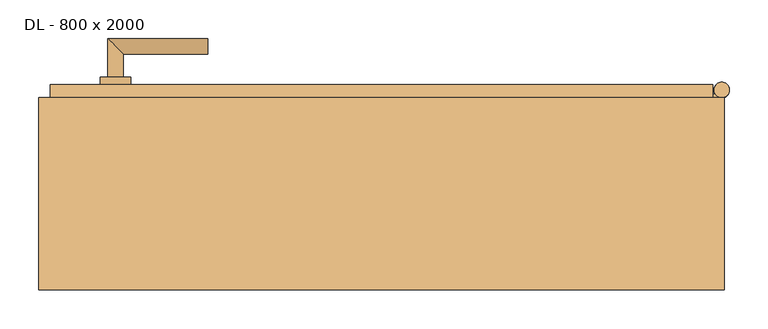
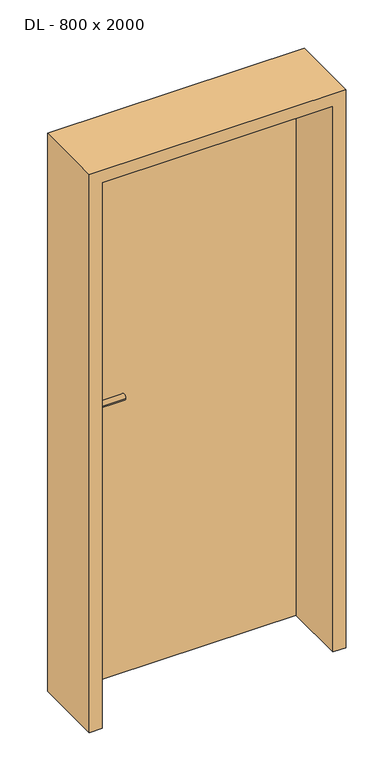
"""IFC4 building model written with IfcOpenShell, lengths in millimetres: door geometry, DL - 800 x 2000."""

from ifc_helpers import new_model, si_unit, point, frame, frame_2d, origin, place, context, project, spatial, polyline, circle_curve, ellipse_curve, trimmed, segment, composite_curve, outline, extrude, faceted_brep, source, transform, mapped, element, save
from ifc_brep_helpers import plane_surface, cylinder_surface, advanced_brep


def dl_800_x_2000_6b8a714d(model_context):
    return source(origin(), model_context, "Body", "SolidModel", [
        faceted_brep([(430.0, 142.0, 0.0), (430.0, 125.0, 0.0), (415.0, 125.0, 0.0), (415.0, 97.0, 0.0), (-415.0, 97.0, 0.0), (-415.0, 125.0, 0.0), (-430.0, 125.0, 0.0), (-430.0, 142.0, 0.0), (430.0, 142.0, 2030.0), (-430.0, 142.0, 2030.0), (-430.0, 125.0, 2030.0), (-415.0, 125.0, 2015.0), (415.0, 125.0, 2015.0), (430.0, 125.0, 2030.0), (-415.0, 97.0, 2015.0), (415.0, 97.0, 2015.0)], [[[0, 1, 2, 3, 4, 5, 6, 7]], [[8, 0, 7, 9]], [[7, 6, 10, 9]], [[11, 12, 2, 1, 13, 10, 6, 5]], [[5, 4, 14, 11]], [[3, 15, 14, 4]], [[12, 15, 3, 2]], [[8, 13, 1, 0]], [[9, 10, 13, 8]], [[11, 14, 15, 12]]]),
        extrude(outline(composite_curve([segment(trimmed(circle_curve(frame_2d((442.0, 135.0)), 10.0), [point((432.0, 135.0))], [point((452.0, 135.0))], False, "CARTESIAN"), True, "CONTINUOUS"), segment(trimmed(circle_curve(frame_2d((442.0, 135.0)), 10.0), [point((452.0, 135.0))], [point((432.0, 135.0))], False, "CARTESIAN"), True, "CONTINUOUS")], self_intersect=False)), frame((0.0, 0.0, 1799.0), z_axis=(0.0, 0.0, 1.0), x_axis=(1.0, 0.0, 0.0)), (0.0, 0.0, 1.0), 25.0),
        extrude(outline(composite_curve([segment(polyline([(442.0, 125.0), (430.0, 125.0), (430.0, 130.0), (433.339746, 130.0)]), True, "CONTINUOUS"), segment(trimmed(circle_curve(frame_2d((442.0, 135.0)), 10.0), [point((433.339746, 130.0))], [point((442.0, 125.0))], False, "CARTESIAN"), True, "CONTINUOUS")], self_intersect=False)), frame((0.0, 0.0, 1749.0), z_axis=(0.0, 0.0, 1.0), x_axis=(1.0, 0.0, 0.0)), (0.0, 0.0, 1.0), 50.0),
        extrude(outline(composite_curve([segment(trimmed(circle_curve(frame_2d((442.0, 135.0)), 10.0), [point((432.0, 135.0))], [point((452.0, 135.0))], False, "CARTESIAN"), True, "CONTINUOUS"), segment(trimmed(circle_curve(frame_2d((442.0, 135.0)), 10.0), [point((452.0, 135.0))], [point((432.0, 135.0))], False, "CARTESIAN"), True, "CONTINUOUS")], self_intersect=False)), frame((0.0, 0.0, 1724.0), z_axis=(0.0, 0.0, 1.0), x_axis=(1.0, 0.0, 0.0)), (0.0, 0.0, 1.0), 25.0),
        extrude(outline(composite_curve([segment(trimmed(circle_curve(frame_2d((442.0, 135.0)), 10.0), [point((432.0, 135.0))], [point((452.0, 135.0))], False, "CARTESIAN"), True, "CONTINUOUS"), segment(trimmed(circle_curve(frame_2d((442.0, 135.0)), 10.0), [point((452.0, 135.0))], [point((432.0, 135.0))], False, "CARTESIAN"), True, "CONTINUOUS")], self_intersect=False)), frame((0.0, 0.0, 266.0), z_axis=(0.0, 0.0, 1.0), x_axis=(1.0, 0.0, 0.0)), (0.0, 0.0, 1.0), 25.0),
        extrude(outline(composite_curve([segment(polyline([(442.0, 125.0), (430.0, 125.0), (430.0, 130.0), (433.339746, 130.0)]), True, "CONTINUOUS"), segment(trimmed(circle_curve(frame_2d((442.0, 135.0)), 10.0), [point((433.339746, 130.0))], [point((442.0, 125.0))], False, "CARTESIAN"), True, "CONTINUOUS")], self_intersect=False)), frame((0.0, 0.0, 216.0), z_axis=(0.0, 0.0, 1.0), x_axis=(1.0, 0.0, 0.0)), (0.0, 0.0, 1.0), 50.0),
        extrude(outline(composite_curve([segment(trimmed(circle_curve(frame_2d((442.0, 135.0)), 10.0), [point((432.0, 135.0))], [point((452.0, 135.0))], False, "CARTESIAN"), True, "CONTINUOUS"), segment(trimmed(circle_curve(frame_2d((442.0, 135.0)), 10.0), [point((452.0, 135.0))], [point((432.0, 135.0))], False, "CARTESIAN"), True, "CONTINUOUS")], self_intersect=False)), frame((0.0, 0.0, 191.0), z_axis=(0.0, 0.0, 1.0), x_axis=(1.0, 0.0, 0.0)), (0.0, 0.0, 1.0), 25.0),
        advanced_brep(
        [(-335.0, 152.0, 1050.0), (-355.0, 152.0, 1050.0), (-335.0, 182.0, 1050.0), (-355.0, 202.0, 1050.0), (-225.0, 182.0, 1050.0), (-225.0, 202.0, 1050.0)],
        [
            (0, 1, circle_curve(frame((-345.0, 152.0, 1050.0), z_axis=(0.0, -1.0, 0.0), x_axis=(-1.0, 0.0, 0.0)), 10.0)),
            (1, 0, circle_curve(frame((-345.0, 152.0, 1050.0), z_axis=(0.0, -1.0, 0.0), x_axis=(-1.0, 0.0, 0.0)), 10.0)),
            (0, 2),
            (2, 3, ellipse_curve(frame((-345.0, 192.0, 1050.0), z_axis=(-0.7071067811865531, -0.7071067811865419, 0.0), x_axis=(0.707106781186542, -0.707106781186553, 0.0)), 14.1421356, 10.0)),
            (3, 1),
            (3, 2, ellipse_curve(frame((-345.0, 192.0, 1050.0), z_axis=(-0.7071067811865531, -0.7071067811865419, 0.0), x_axis=(0.707106781186542, -0.707106781186553, 0.0)), 14.1421356, 10.0)),
            (4, 5, circle_curve(frame((-225.0, 192.0, 1050.0), z_axis=(1.0, 0.0, 0.0), x_axis=(0.0, 1.0, 0.0)), 10.0)),
            (5, 4, circle_curve(frame((-225.0, 192.0, 1050.0), z_axis=(1.0, 0.0, 0.0), x_axis=(0.0, 1.0, 0.0)), 10.0)),
            (2, 4),
            (5, 3),
        ],
        [
            plane_surface(frame((-345.0, 152.0, 1050.0), z_axis=(0.0, -1.0, 0.0), x_axis=(0.0, 0.0, 1.0))),
            cylinder_surface(frame((-345.0, 152.0, 1050.0), z_axis=(0.0, -1.0, 0.0), x_axis=(-1.0, 0.0, 0.0)), 10.0),
            plane_surface(frame((-225.0, 192.0, 1050.0), z_axis=(1.0, 0.0, 0.0), x_axis=(0.0, 0.0, 1.0))),
            cylinder_surface(frame((-345.0, 192.0, 1050.0), z_axis=(-1.0, 0.0, 0.0), x_axis=(0.0, 1.0, 0.0)), 10.0),
        ],
        [
            (0, [[1, 2]]),
            (1, [[-1, 3, 4, 5]]),
            (1, [[-2, -5, 6, -3]]),
            (2, [[7, 8]]),
            (3, [[-4, 9, -8, 10]]),
            (3, [[-6, -10, -7, -9]]),
        ],
    ),
        extrude(outline(composite_curve([segment(trimmed(circle_curve(frame_2d((990.0, -345.0)), 20.0), [point((990.0, -365.0))], [point((990.0, -325.0))], False, "CARTESIAN"), True, "CONTINUOUS"), segment(trimmed(circle_curve(frame_2d((990.0, -345.0)), 20.0), [point((990.0, -325.0))], [point((990.0, -365.0))], False, "CARTESIAN"), True, "CONTINUOUS")], self_intersect=False), holes=[composite_curve([segment(polyline([(976.4601385, -347.397268), (988.4749012, -347.397268)]), True, "CONTINUOUS"), segment(trimmed(circle_curve(frame_2d((995.0361633, -345.0)), 6.9854888), [point((988.4749012, -347.397268))], [point((988.4749012, -342.602732))], True, "CARTESIAN"), True, "CONTINUOUS"), segment(polyline([(988.4749012, -342.602732), (976.4601385, -342.602732)]), True, "CONTINUOUS"), segment(trimmed(circle_curve(frame_2d((976.4601385, -345.0)), 2.397268), [point((976.4601385, -342.602732))], [point((976.4601385, -347.397268))], True, "CARTESIAN"), True, "CONTINUOUS")], self_intersect=False)]), frame((0.0, 142.0, 0.0), z_axis=(0.0, 1.0, 0.0), x_axis=(0.0, 0.0, 1.0)), (0.0, 0.0, 1.0), 10.0),
        advanced_brep(
        [(-335.0, 152.0, 1050.0), (-355.0, 152.0, 1050.0), (-335.0, 182.0, 1050.0), (-355.0, 202.0, 1050.0), (-225.0, 182.0, 1050.0), (-225.0, 202.0, 1050.0)],
        [
            (0, 1, circle_curve(frame((-345.0, 152.0, 1050.0), z_axis=(0.0, -1.0, 0.0), x_axis=(-1.0, 0.0, 0.0)), 10.0)),
            (1, 0, circle_curve(frame((-345.0, 152.0, 1050.0), z_axis=(0.0, -1.0, 0.0), x_axis=(-1.0, 0.0, 0.0)), 10.0)),
            (0, 2),
            (2, 3, ellipse_curve(frame((-345.0, 192.0, 1050.0), z_axis=(-0.7071067811865537, -0.7071067811865414, 0.0), x_axis=(0.7071067811865414, -0.7071067811865536, 0.0)), 14.1421356, 10.0)),
            (3, 1),
            (3, 2, ellipse_curve(frame((-345.0, 192.0, 1050.0), z_axis=(-0.7071067811865537, -0.7071067811865414, 0.0), x_axis=(0.7071067811865414, -0.7071067811865536, 0.0)), 14.1421356, 10.0)),
            (4, 5, circle_curve(frame((-225.0, 192.0, 1050.0), z_axis=(1.0, 0.0, 0.0), x_axis=(0.0, 1.0, 0.0)), 10.0)),
            (5, 4, circle_curve(frame((-225.0, 192.0, 1050.0), z_axis=(1.0, 0.0, 0.0), x_axis=(0.0, 1.0, 0.0)), 10.0)),
            (2, 4),
            (5, 3),
        ],
        [
            plane_surface(frame((-345.0, 152.0, 1050.0), z_axis=(0.0, -1.0, 0.0), x_axis=(0.0, 0.0, 1.0))),
            cylinder_surface(frame((-345.0, 152.0, 1050.0), z_axis=(0.0, -1.0, 0.0), x_axis=(-1.0, 0.0, 0.0)), 10.0),
            plane_surface(frame((-225.0, 192.0, 1050.0), z_axis=(1.0, 0.0, 0.0), x_axis=(0.0, 0.0, 1.0))),
            cylinder_surface(frame((-345.0, 192.0, 1050.0), z_axis=(-1.0, 0.0, 0.0), x_axis=(0.0, 1.0, 0.0)), 10.0),
        ],
        [
            (0, [[1, 2]]),
            (1, [[-1, 3, 4, 5]]),
            (1, [[-2, -5, 6, -3]]),
            (2, [[7, 8]]),
            (3, [[-4, 9, -8, 10]]),
            (3, [[-6, -10, -7, -9]]),
        ],
    ),
        extrude(outline(composite_curve([segment(trimmed(circle_curve(frame_2d((1050.0, -345.0)), 20.0), [point((1050.0, -365.0))], [point((1050.0, -325.0))], False, "CARTESIAN"), True, "CONTINUOUS"), segment(trimmed(circle_curve(frame_2d((1050.0, -345.0)), 20.0), [point((1050.0, -325.0))], [point((1050.0, -365.0))], False, "CARTESIAN"), True, "CONTINUOUS")], self_intersect=False)), frame((0.0, 142.0, 0.0), z_axis=(0.0, 1.0, 0.0), x_axis=(0.0, 0.0, 1.0)), (0.0, 0.0, 1.0), 10.0),
        advanced_brep(
        [(-335.0, 87.0, 1050.0), (-355.0, 87.0, 1050.0), (-355.0, 37.0, 1050.0), (-335.0, 57.0, 1050.0), (-225.0, 57.0, 1050.0), (-225.0, 37.0, 1050.0)],
        [
            (0, 1, circle_curve(frame((-345.0, 87.0, 1050.0), z_axis=(0.0, 1.0, 0.0), x_axis=(-1.0, 0.0, 0.0)), 10.0)),
            (1, 0, circle_curve(frame((-345.0, 87.0, 1050.0), z_axis=(0.0, 1.0, 0.0), x_axis=(-1.0, 0.0, 0.0)), 10.0)),
            (1, 2),
            (2, 3, ellipse_curve(frame((-345.0, 47.0, 1050.0), z_axis=(-0.7071067811865486, 0.7071067811865464, 0.0), x_axis=(0.7071067811865464, 0.7071067811865488, 0.0)), 14.1421356, 10.0)),
            (3, 0),
            (3, 2, ellipse_curve(frame((-345.0, 47.0, 1050.0), z_axis=(-0.7071067811865486, 0.7071067811865464, 0.0), x_axis=(0.7071067811865464, 0.7071067811865488, 0.0)), 14.1421356, 10.0)),
            (4, 5, circle_curve(frame((-225.0, 47.0, 1050.0), z_axis=(1.0, 0.0, 0.0), x_axis=(0.0, -1.0, 0.0)), 10.0)),
            (5, 4, circle_curve(frame((-225.0, 47.0, 1050.0), z_axis=(1.0, 0.0, 0.0), x_axis=(0.0, -1.0, 0.0)), 10.0)),
            (2, 5),
            (4, 3),
        ],
        [
            plane_surface(frame((-345.0, 87.0, 1050.0), z_axis=(0.0, 1.0, 0.0), x_axis=(0.0, 0.0, 1.0))),
            cylinder_surface(frame((-345.0, 87.0, 1050.0), z_axis=(0.0, 1.0, 0.0), x_axis=(-1.0, 0.0, 0.0)), 10.0),
            plane_surface(frame((-225.0, 47.0, 1050.0), z_axis=(1.0, 0.0, 0.0), x_axis=(0.0, 0.0, 1.0))),
            cylinder_surface(frame((-345.0, 47.0, 1050.0), z_axis=(-1.0, 0.0, 0.0), x_axis=(0.0, -1.0, 0.0)), 10.0),
        ],
        [
            (0, [[1, 2]]),
            (1, [[3, 4, 5, -2]]),
            (1, [[-5, 6, -3, -1]]),
            (2, [[7, 8]]),
            (3, [[9, -7, 10, -4]]),
            (3, [[-10, -8, -9, -6]]),
        ],
    ),
        extrude(outline(composite_curve([segment(trimmed(circle_curve(frame_2d((990.0, -345.0)), 20.0), [point((990.0, -365.0))], [point((990.0, -325.0))], False, "CARTESIAN"), True, "CONTINUOUS"), segment(trimmed(circle_curve(frame_2d((990.0, -345.0)), 20.0), [point((990.0, -325.0))], [point((990.0, -365.0))], False, "CARTESIAN"), True, "CONTINUOUS")], self_intersect=False), holes=[composite_curve([segment(polyline([(976.4601385, -347.397268), (988.4749012, -347.397268)]), True, "CONTINUOUS"), segment(trimmed(circle_curve(frame_2d((995.0361633, -345.0)), 6.9854888), [point((988.4749012, -347.397268))], [point((988.4749012, -342.602732))], True, "CARTESIAN"), True, "CONTINUOUS"), segment(polyline([(988.4749012, -342.602732), (976.4601385, -342.602732)]), True, "CONTINUOUS"), segment(trimmed(circle_curve(frame_2d((976.4601385, -345.0)), 2.397268), [point((976.4601385, -342.602732))], [point((976.4601385, -347.397268))], True, "CARTESIAN"), True, "CONTINUOUS")], self_intersect=False)]), frame((0.0, 87.0, 0.0), z_axis=(0.0, 1.0, 0.0), x_axis=(0.0, 0.0, 1.0)), (0.0, 0.0, 1.0), 10.0),
        advanced_brep(
        [(-335.0, 87.0, 1050.0), (-355.0, 87.0, 1050.0), (-355.0, 37.0, 1050.0), (-335.0, 57.0, 1050.0), (-225.0, 57.0, 1050.0), (-225.0, 37.0, 1050.0)],
        [
            (0, 1, circle_curve(frame((-345.0, 87.0, 1050.0), z_axis=(0.0, 1.0, 0.0), x_axis=(-1.0, 0.0, 0.0)), 10.0)),
            (1, 0, circle_curve(frame((-345.0, 87.0, 1050.0), z_axis=(0.0, 1.0, 0.0), x_axis=(-1.0, 0.0, 0.0)), 10.0)),
            (1, 2),
            (2, 3, ellipse_curve(frame((-345.0, 47.0, 1050.0), z_axis=(-0.7071067811865491, 0.7071067811865459, 0.0), x_axis=(0.7071067811865458, 0.7071067811865492, 0.0)), 14.1421356, 10.0)),
            (3, 0),
            (3, 2, ellipse_curve(frame((-345.0, 47.0, 1050.0), z_axis=(-0.7071067811865491, 0.7071067811865459, 0.0), x_axis=(0.7071067811865458, 0.7071067811865492, 0.0)), 14.1421356, 10.0)),
            (4, 5, circle_curve(frame((-225.0, 47.0, 1050.0), z_axis=(1.0, 0.0, 0.0), x_axis=(0.0, -1.0, 0.0)), 10.0)),
            (5, 4, circle_curve(frame((-225.0, 47.0, 1050.0), z_axis=(1.0, 0.0, 0.0), x_axis=(0.0, -1.0, 0.0)), 10.0)),
            (2, 5),
            (4, 3),
        ],
        [
            plane_surface(frame((-345.0, 87.0, 1050.0), z_axis=(0.0, 1.0, 0.0), x_axis=(0.0, 0.0, 1.0))),
            cylinder_surface(frame((-345.0, 87.0, 1050.0), z_axis=(0.0, 1.0, 0.0), x_axis=(-1.0, 0.0, 0.0)), 10.0),
            plane_surface(frame((-225.0, 47.0, 1050.0), z_axis=(1.0, 0.0, 0.0), x_axis=(0.0, 0.0, 1.0))),
            cylinder_surface(frame((-345.0, 47.0, 1050.0), z_axis=(-1.0, 0.0, 0.0), x_axis=(0.0, -1.0, 0.0)), 10.0),
        ],
        [
            (0, [[1, 2]]),
            (1, [[3, 4, 5, -2]]),
            (1, [[-5, 6, -3, -1]]),
            (2, [[7, 8]]),
            (3, [[9, -7, 10, -4]]),
            (3, [[-10, -8, -9, -6]]),
        ],
    ),
        extrude(outline(composite_curve([segment(trimmed(circle_curve(frame_2d((1050.0, -345.0)), 20.0), [point((1050.0, -365.0))], [point((1050.0, -325.0))], False, "CARTESIAN"), True, "CONTINUOUS"), segment(trimmed(circle_curve(frame_2d((1050.0, -345.0)), 20.0), [point((1050.0, -325.0))], [point((1050.0, -365.0))], False, "CARTESIAN"), True, "CONTINUOUS")], self_intersect=False)), frame((0.0, 87.0, 0.0), z_axis=(0.0, 1.0, 0.0), x_axis=(0.0, 0.0, 1.0)), (0.0, 0.0, 1.0), 10.0),
        faceted_brep([(-415.0, 125.0, 0.0), (-415.0, 97.0, 0.0), (-400.0, 97.0, 0.0), (-400.0, -125.0, 0.0), (-445.0, -125.0, 0.0), (-445.0, 125.0, 0.0), (-415.0, 125.0, 2015.0), (-415.0, 97.0, 2015.0), (415.0, 97.0, 2015.0), (415.0, 97.0, 0.0), (400.0, 97.0, 0.0), (400.0, 97.0, 2000.0), (-400.0, 97.0, 2000.0), (-400.0, -125.0, 2000.0), (400.0, -125.0, 2000.0), (400.0, -125.0, 0.0), (445.0, -125.0, 0.0), (445.0, -125.0, 2045.0), (-445.0, -125.0, 2045.0), (-445.0, 125.0, 2045.0), (445.0, 125.0, 2045.0), (445.0, 125.0, 0.0), (415.0, 125.0, 0.0), (415.0, 125.0, 2015.0)], [[[0, 1, 2, 3, 4, 5]], [[1, 0, 6, 7]], [[2, 1, 7, 8, 9, 10, 11, 12]], [[3, 2, 12, 13]], [[4, 3, 13, 14, 15, 16, 17, 18]], [[5, 4, 18, 19]], [[0, 5, 19, 20, 21, 22, 23, 6]], [[20, 17, 16, 21]], [[22, 21, 16, 15, 10, 9]], [[8, 23, 22, 9]], [[14, 11, 10, 15]], [[19, 18, 17, 20]], [[13, 12, 11, 14]], [[7, 6, 23, 8]]]),
    ])


if __name__ == "__main__":
    model = new_model("IFC4")
    model_context = context("Model", 3, world=origin())
    ifc_project = project(units=[si_unit("LENGTHUNIT", "METRE", prefix="MILLI")], contexts=[model_context])
    site = spatial("IfcSite", under=ifc_project)
    building = spatial("IfcBuilding", under=site)
    placement = place(None, origin())
    dl_800_x_2000_shape = dl_800_x_2000_6b8a714d(model_context)
    element("IfcDoor", 1, ObjectType="DL - 800 x 2000", at=placement, inside=building, context=model_context, shape_type="MappedRepresentation", body=[
        mapped(dl_800_x_2000_shape, transform((0.0, 0.0, 0.0), x_axis=(1.0, 0.0, 0.0), y_axis=(0.0, 1.0, 0.0), z_axis=(0.0, 0.0, 1.0))),
    ])
    save(model, "model.ifc")
